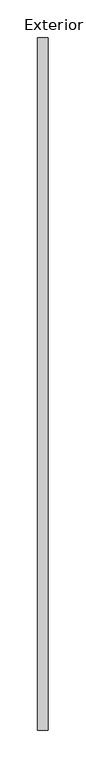
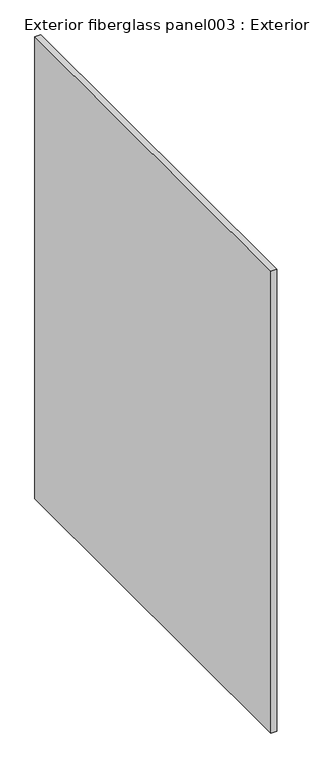
"""IFC4 building model written with IfcOpenShell, lengths in millimetres: proxy geometry, Exterior fiberglass panel003 : Exterior fiberglass panel003."""

from ifc_helpers import new_model, si_unit, frame, origin, place, context, project, spatial, polyline, outline, extrude, source, transform, mapped, element, save


def exterior_fiberglass_panel003_exterior_fiberglass_panel003_88290d6b(model_context):
    return source(origin(), model_context, "Body", "SweptSolid", [
        extrude(outline(polyline([(38234.875, -19576.8265625), (38221.2585418, -19576.8265625), (38221.2585418, -18662.4265625), (38234.875, -18662.4265625), (38234.875, -19576.8265625)])), frame((0.0, 0.0, 3009.985905), z_axis=(0.0, 0.0, 1.0), x_axis=(1.0, 0.0, 0.0)), (0.0, 0.0, 1.0), 1092.1141926),
    ])


if __name__ == "__main__":
    model = new_model("IFC4")
    model_context = context("Model", 3, world=origin())
    ifc_project = project(units=[si_unit("LENGTHUNIT", "METRE", prefix="MILLI")], contexts=[model_context])
    site = spatial("IfcSite", under=ifc_project)
    building = spatial("IfcBuilding", under=site)
    placement = place(None, origin())
    exterior_fiberglass_panel003_exterior_fiberglass_panel003_shape = exterior_fiberglass_panel003_exterior_fiberglass_panel003_88290d6b(model_context)
    element("IfcBuildingElementProxy", 1, Name="Exterior fiberglass panel003 : Exterior fiberglass panel003", ObjectType="Exterior fiberglass panel003 : Exterior fiberglass panel003", at=placement, inside=building, context=model_context, shape_type="MappedRepresentation", body=[
        mapped(exterior_fiberglass_panel003_exterior_fiberglass_panel003_shape, transform((0.0, 0.0, 0.0), x_axis=(1.0, 0.0, 0.0), y_axis=(0.0, 1.0, 0.0), z_axis=(0.0, 0.0, 1.0))),
    ])
    save(model, "model.ifc")
